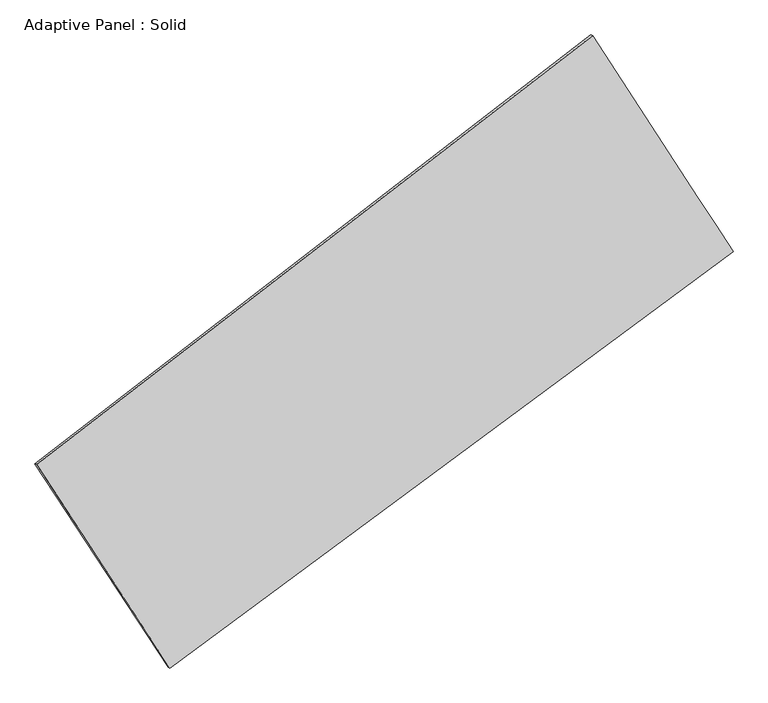
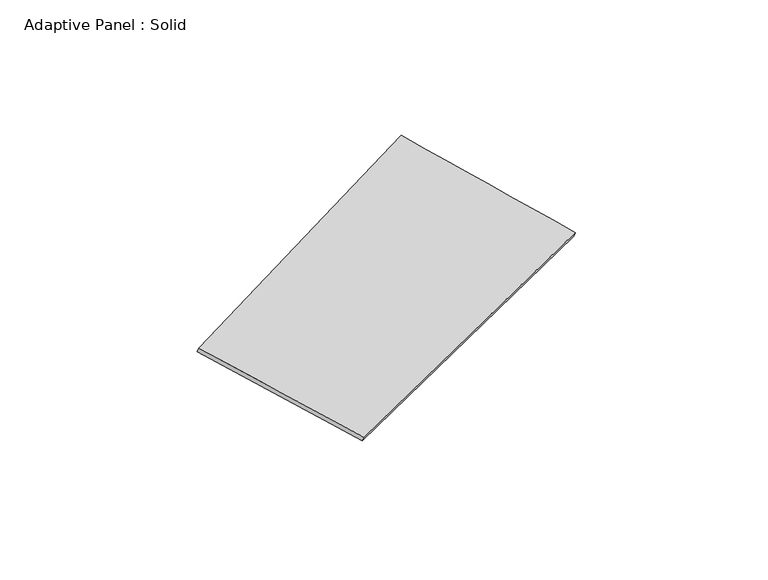
"""IFC4 building model written with IfcOpenShell, lengths in millimetres: plate geometry, Adaptive Panel : Solid."""

from ifc_helpers import new_model, si_unit, frame, origin, place, context, project, spatial, source, transform, mapped, element, save
from ifc_brep_helpers import plane_surface, spline_surface, advanced_brep


def adaptive_panel_solid_30db9ad2(model_context):
    return source(origin(), model_context, "Body", "AdvancedBrep", [
        advanced_brep(
        [(1083.5465628, 2544.7021168, 698.7297171), (-3517.6874256, -1006.6862433, 1628.0120089), (-3503.0210697, -1013.0663368, 1675.3849169), (1098.2129186, 2538.3220233, 746.1026251), (-2415.2066244, -2693.0983971, 1077.028025), (-2400.5402686, -2699.4784906, 1124.400933), (2246.0569091, 754.8339508, 81.3527693), (2260.7232649, 748.4538573, 128.7256773)],
        [
            (0, 1),
            (1, 2),
            (2, 3),
            (3, 0),
            (1, 4),
            (4, 5),
            (5, 2),
            (4, 6),
            (6, 7),
            (7, 5),
            (6, 0),
            (3, 7),
        ],
        [
            plane_surface(frame((-1217.0704314, 769.0079367, 1163.370863), z_axis=(-0.5514982723961692, 0.7869393442918706, 0.27672391286175746), x_axis=(-0.7816993521940906, -0.6033420572614786, 0.1578749021181834))),
            plane_surface(frame((-2966.447025, -1849.8923202, 1352.520017), z_axis=(-0.7986278446606345, -0.5774693708433674, 0.16947770198605855), x_axis=(0.5278089806638391, -0.8073641544887104, -0.26378173169749475))),
            plane_surface(frame((-84.5748577, -969.1322231, 579.1903971), z_axis=(0.5337168083064799, -0.8003760370077176, -0.2730285111759666), x_axis=(0.7923586047656674, 0.5861069310634903, -0.16925278967609897))),
            plane_surface(frame((1664.8017359, 1649.7680338, 390.0412432), z_axis=(0.7987577433045067, 0.5772699873963469, -0.16954477037795487), x_axis=(-0.5232387462241566, 0.8056086365758945, 0.27787756139008585))),
            spline_surface(1, 1, [[(-3503.0210697, -1013.0663368, 1675.3849169), (1098.2129186, 2538.3220233, 746.1026251)], [(-2400.5402686, -2699.4784906, 1124.400933), (2260.7232649, 748.4538573, 128.7256773)]], [2, 2], [2, 2], [0.0, 1.0], [0.0, 1.0]),
            spline_surface(1, 1, [[(2246.0569091, 754.8339508, 81.3527693), (1083.5465628, 2544.7021168, 698.7297171)], [(-2415.2066244, -2693.0983971, 1077.028025), (-3517.6874256, -1006.6862433, 1628.0120089)]], [2, 2], [2, 2], [0.0, 1.0], [0.0, 1.0]),
        ],
        [
            (0, [[1, 2, 3, 4]]),
            (1, [[5, 6, 7, -2]]),
            (2, [[8, 9, 10, -6]]),
            (3, [[11, -4, 12, -9]]),
            (4, [[-3, -7, -10, -12]]),
            (5, [[-11, -8, -5, -1]]),
        ],
    ),
    ])


if __name__ == "__main__":
    model = new_model("IFC4")
    model_context = context("Model", 3, world=origin())
    ifc_project = project(units=[si_unit("LENGTHUNIT", "METRE", prefix="MILLI")], contexts=[model_context])
    site = spatial("IfcSite", under=ifc_project)
    building = spatial("IfcBuilding", under=site)
    placement = place(None, origin())
    adaptive_panel_solid_shape = adaptive_panel_solid_30db9ad2(model_context)
    element("IfcPlate", 1, ObjectType="Adaptive Panel : Solid", at=placement, inside=building, context=model_context, shape_type="MappedRepresentation", body=[
        mapped(adaptive_panel_solid_shape, transform((0.0, 0.0, 0.0), x_axis=(1.0, 0.0, 0.0), y_axis=(0.0, 1.0, 0.0), z_axis=(0.0, 0.0, 1.0))),
    ])
    save(model, "model.ifc")
